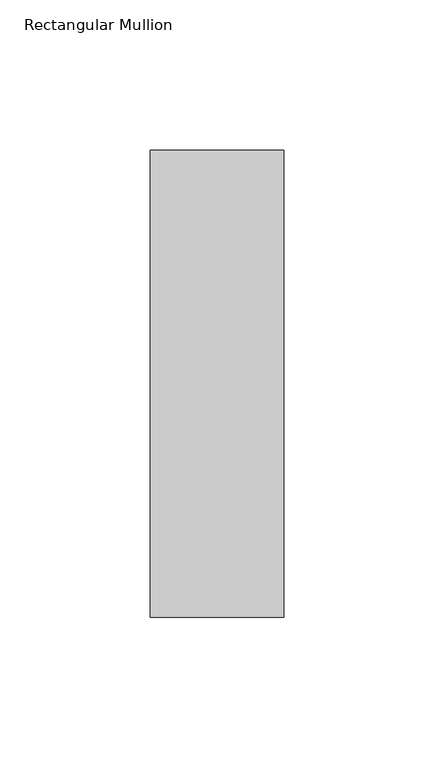
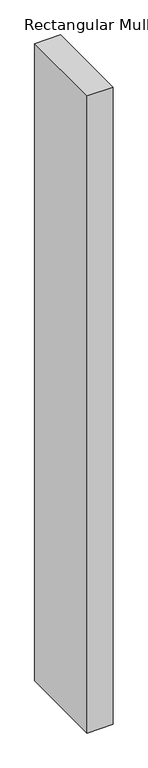
"""IFC4 building model written with IfcOpenShell, lengths in millimetres: member geometry, Rectangular Mullion."""

from ifc_helpers import new_model, si_unit, frame, origin, place, context, project, spatial, polyline, outline, extrude, source, transform, mapped, element, save


def rectangular_mullion_115db8fd(model_context):
    return source(origin(), model_context, "Body", "SweptSolid", [
        extrude(outline(polyline([(-44.45, 76.1906616), (0.0, 76.1906616), (0.0, -79.3656616), (-44.45, -79.3656616), (-44.45, 76.1906616)])), frame((0.0, 0.0, -1152.525), z_axis=(0.0, 0.0, 1.0), x_axis=(1.0, 0.0, 0.0)), (0.0, 0.0, 1.0), 1152.525),
    ])


if __name__ == "__main__":
    model = new_model("IFC4")
    model_context = context("Model", 3, world=origin())
    ifc_project = project(units=[si_unit("LENGTHUNIT", "METRE", prefix="MILLI")], contexts=[model_context])
    site = spatial("IfcSite", under=ifc_project)
    building = spatial("IfcBuilding", under=site)
    placement = place(None, origin())
    rectangular_mullion_shape = rectangular_mullion_115db8fd(model_context)
    element("IfcMember", 1, ObjectType="Rectangular Mullion", at=placement, inside=building, context=model_context, shape_type="MappedRepresentation", body=[
        mapped(rectangular_mullion_shape, transform((0.0, 0.0, 0.0), x_axis=(1.0, 0.0, 0.0), y_axis=(0.0, 1.0, 0.0), z_axis=(0.0, 0.0, 1.0))),
    ])
    save(model, "model.ifc")
